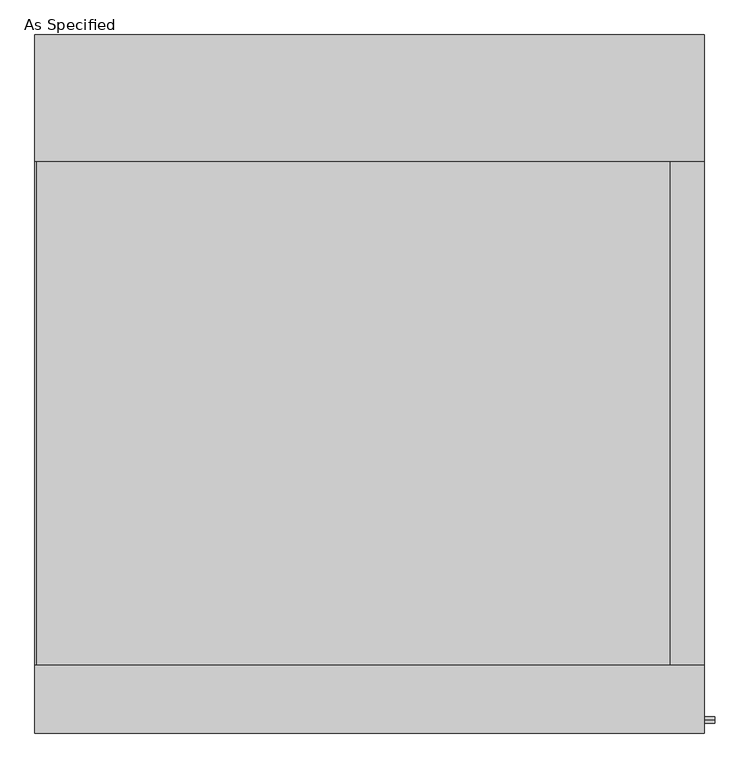
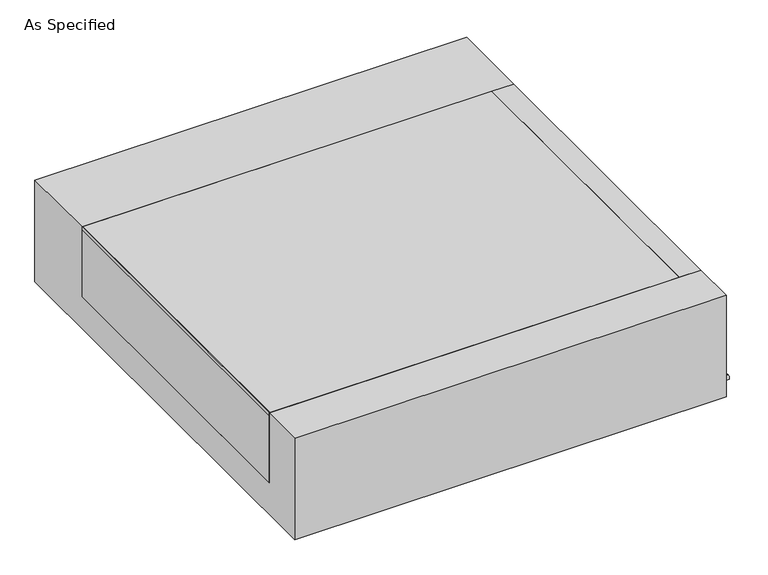
"""IFC4 building model written with IfcOpenShell, lengths in millimetres: proxy geometry, As Specified."""

from ifc_helpers import new_model, si_unit, point, frame, frame_2d, origin, place, context, project, spatial, polyline, circle_curve, trimmed, segment, composite_curve, outline, extrude, source, transform, mapped, element, save


def as_specified_6fafe50b(model_context):
    return source(origin(), model_context, "Body", "SweptSolid", [
        extrude(outline(composite_curve([segment(trimmed(circle_curve(frame_2d((-1017.5875, -466.725)), 10.5), [point((-1017.5875, -456.225))], [point((-1017.5875, -477.225))], False, "CARTESIAN"), True, "CONTINUOUS"), segment(trimmed(circle_curve(frame_2d((-1017.5875, -466.725)), 10.5), [point((-1017.5875, -477.225))], [point((-1017.5875, -456.225))], False, "CARTESIAN"), True, "CONTINUOUS")], self_intersect=False)), frame((1014.4125, 0.0, 0.0), z_axis=(1.0, 0.0, 0.0), x_axis=(0.0, 1.0, 0.0)), (0.0, 0.0, 1.0), 31.8403384),
        extrude(outline(polyline([(912.01875, -850.9), (912.01875, 673.1), (1014.4125, 673.1), (1014.4125, -850.9), (912.01875, -850.9)])), frame((0.0, 0.0, -373.0625), z_axis=(0.0, 0.0, 1.0), x_axis=(1.0, 0.0, 0.0)), (0.0, 0.0, 1.0), 347.6625),
        extrude(outline(polyline([(-1010.44375, -850.9), (-1014.4125, -850.9), (-1014.4125, 673.1), (-1010.44375, 673.1), (-1010.44375, -850.9)])), frame((0.0, 0.0, -39.6875), z_axis=(0.0, 0.0, 1.0), x_axis=(1.0, 0.0, 0.0)), (0.0, 0.0, 1.0), 14.2875),
        extrude(outline(polyline([(912.01875, 673.1), (912.01875, -850.9), (-1014.4125, -850.9), (-1014.4125, 673.1), (912.01875, 673.1)])), frame((0.0, 0.0, -373.0625), z_axis=(0.0, 0.0, 1.0), x_axis=(1.0, 0.0, 0.0)), (0.0, 0.0, 1.0), 347.6625),
        extrude(outline(polyline([(1057.275, -25.4), (1057.275, -530.225), (-1057.275, -530.225), (-1057.275, -25.4), (-850.9, -25.4), (-850.9, -373.0625), (673.1, -373.0625), (673.1, -25.4), (1057.275, -25.4)])), frame((-1014.4125, 0.0, 0.0), z_axis=(1.0, 0.0, 0.0), x_axis=(0.0, 1.0, 0.0)), (0.0, 0.0, 1.0), 2028.825),
    ])


if __name__ == "__main__":
    model = new_model("IFC4")
    model_context = context("Model", 3, world=origin())
    ifc_project = project(units=[si_unit("LENGTHUNIT", "METRE", prefix="MILLI")], contexts=[model_context])
    site = spatial("IfcSite", under=ifc_project)
    building = spatial("IfcBuilding", under=site)
    placement = place(None, origin())
    as_specified_shape = as_specified_6fafe50b(model_context)
    element("IfcBuildingElementProxy", 1, Name="As Specified", ObjectType="As Specified", at=placement, inside=building, context=model_context, shape_type="MappedRepresentation", body=[
        mapped(as_specified_shape, transform((0.0, 0.0, 0.0), x_axis=(1.0, 0.0, 0.0), y_axis=(0.0, 1.0, 0.0), z_axis=(0.0, 0.0, 1.0))),
    ])
    save(model, "model.ifc")
